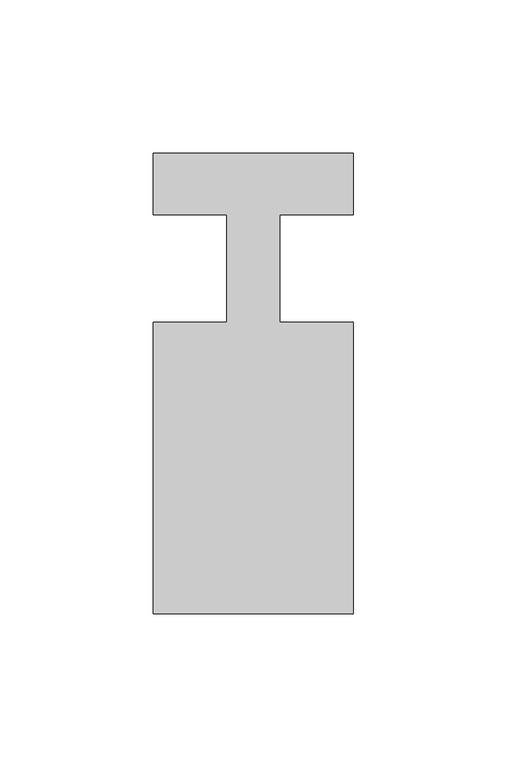
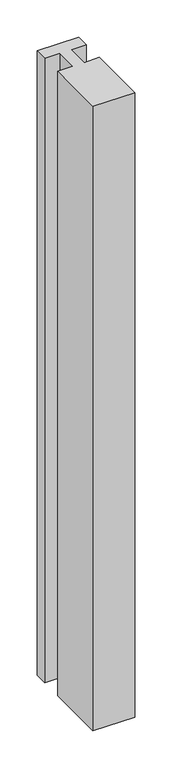
"""IFC4 building model written with IfcOpenShell, lengths in millimetres: member geometry."""

from ifc_helpers import new_model, si_unit, frame, origin, place, context, project, spatial, polyline, outline, extrude, source, transform, mapped, element, save


def member_6240eeb0(model_context):
    return source(origin(), model_context, "Body", "SweptSolid", [
        extrude(outline(polyline([(0.0, 37.0), (0.0, 17.0), (-23.8125, 17.0), (-23.8125, -18.0), (0.0, -18.0), (0.0, -113.0), (-65.0, -113.0), (-65.0, -18.0), (-41.1875, -18.0), (-41.1875, 17.0), (-65.0, 17.0), (-65.0, 37.0), (0.0, 37.0)])), frame((0.0, 0.0, -1026.0714286), z_axis=(0.0, 0.0, 1.0), x_axis=(1.0, 0.0, 0.0)), (0.0, 0.0, 1.0), 1026.0714286),
    ])


if __name__ == "__main__":
    model = new_model("IFC4")
    model_context = context("Model", 3, world=origin())
    ifc_project = project(units=[si_unit("LENGTHUNIT", "METRE", prefix="MILLI")], contexts=[model_context])
    site = spatial("IfcSite", under=ifc_project)
    building = spatial("IfcBuilding", under=site)
    placement = place(None, origin())
    member_shape = member_6240eeb0(model_context)
    element("IfcMember", 1, at=placement, inside=building, context=model_context, shape_type="MappedRepresentation", body=[
        mapped(member_shape, transform((0.0, 0.0, 0.0), x_axis=(1.0, 0.0, 0.0), y_axis=(0.0, 1.0, 0.0), z_axis=(0.0, 0.0, 1.0))),
    ])
    save(model, "model.ifc")
